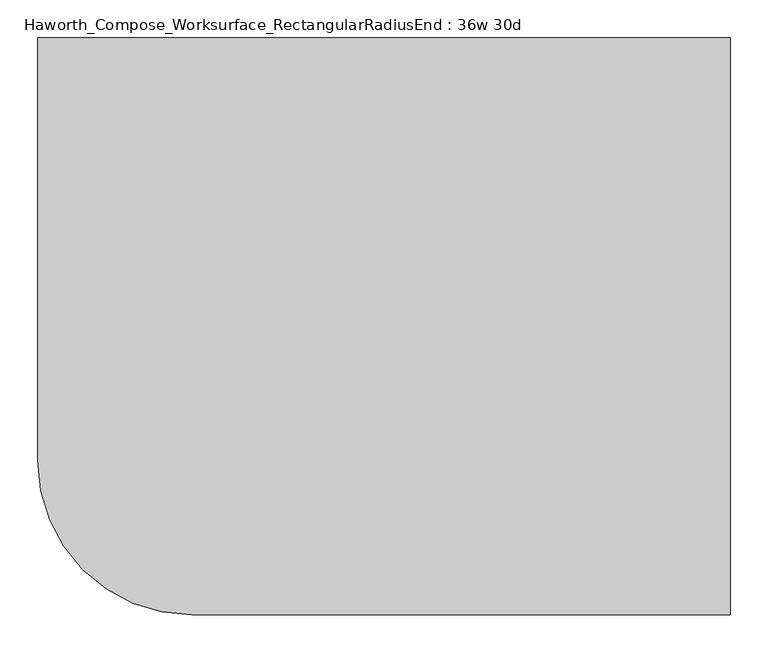
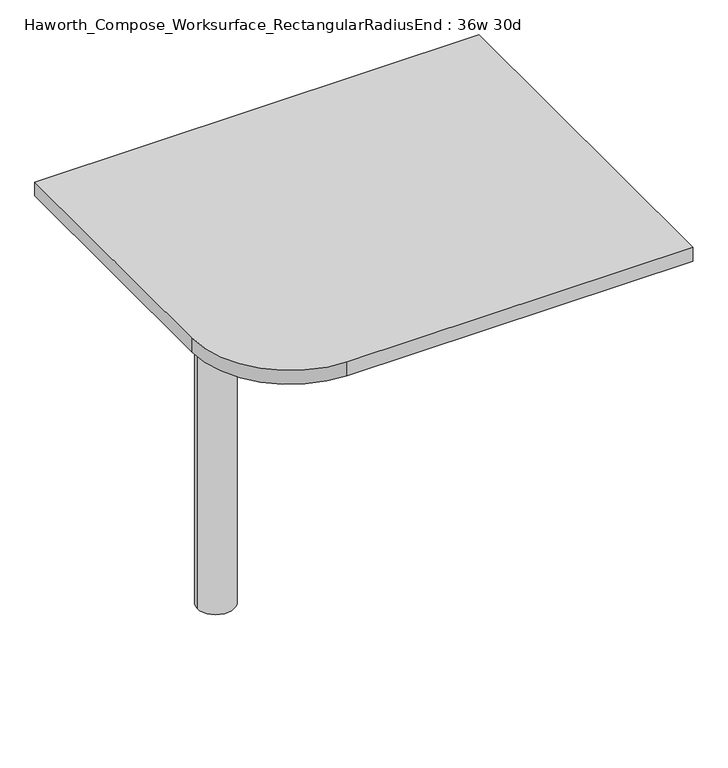
"""IFC4 building model written with IfcOpenShell, lengths in millimetres: furniture geometry, Haworth_Compose_Worksurface_RectangularRadiusEnd : 36w 30d."""

from ifc_helpers import new_model, si_unit, point, frame, frame_2d, origin, place, context, project, spatial, polyline, circle_curve, trimmed, segment, composite_curve, outline, extrude, source, transform, mapped, element, save
from ifc_brep_helpers import plane_surface, cylinder_surface, revolved_surface, advanced_brep


def haworth_compose_worksurface_rectangularradiusend_36w_30d_8cd0b59a(model_context):
    return source(origin(), model_context, "Body", "SolidModel", [
        advanced_brep(
        [(451.64375, 381.0, 475.45625), (451.64375, 365.125, 475.45625), (451.64375, -25.4, 691.7192568), (451.64375, -25.4, 704.05625), (451.64375, 365.125, 704.05625), (451.64375, 381.0, 704.05625), (451.64375, 297.690072, 665.95625), (451.64375, 254.0355284, 665.95625), (451.64375, 251.3564235, 656.3705539), (451.64375, 343.0776173, 605.5776439), (451.64375, 352.425, 611.1756969), (451.64375, 352.425, 634.6860246), (451.64375, 350.6730055, 637.5242776), (451.64375, 300.7663437, 665.1613425), (454.025, 381.0, 475.45625), (454.025, 381.0, 704.05625), (454.025, 365.125, 704.05625), (454.025, 365.125, 706.4375), (454.025, -25.4, 706.4375), (454.025, -25.4, 691.7192568), (454.025, 365.125, 475.45625), (454.025, 297.690072, 665.95625), (454.025, 300.7663437, 665.1613425), (454.025, 350.6730055, 637.5242776), (454.025, 352.425, 634.6860246), (454.025, 352.425, 611.1756969), (454.025, 343.0776173, 605.5776439), (454.025, 251.3564235, 656.3705539), (454.025, 254.0355284, 665.95625), (412.75, -25.4, 706.4375), (412.75, -25.4, 704.05625), (412.75, 365.125, 704.05625), (412.75, 365.125, 706.4375)],
        [
            (0, 1),
            (1, 2),
            (2, 3),
            (3, 4),
            (4, 5),
            (5, 0),
            (6, 7),
            (7, 8, circle_curve(frame((451.64375, 254.0355284, 660.7890106), z_axis=(1.0, 0.0, 0.0), x_axis=(0.0, -1.0, 0.0)), 5.1672394)),
            (8, 9),
            (9, 10, circle_curve(frame((451.64375, 346.075, 611.1756969), z_axis=(1.0, 0.0, 0.0), x_axis=(0.0, -1.0, 0.0)), 6.35)),
            (10, 11),
            (11, 12, circle_curve(frame((451.64375, 349.25, 634.6860246), z_axis=(1.0, 0.0, 0.0), x_axis=(0.0, -1.0, 0.0)), 3.175)),
            (12, 13),
            (13, 6, circle_curve(frame((451.64375, 297.690072, 659.60625), z_axis=(1.0, 0.0, 0.0), x_axis=(0.0, -1.0, 0.0)), 6.35)),
            (14, 15),
            (15, 16),
            (16, 17),
            (17, 18),
            (18, 19),
            (19, 20),
            (20, 14),
            (21, 22, circle_curve(frame((454.025, 297.690072, 659.60625), z_axis=(-1.0, 0.0, 0.0), x_axis=(0.0, -1.0, 0.0)), 6.35)),
            (22, 23),
            (23, 24, circle_curve(frame((454.025, 349.25, 634.6860246), z_axis=(-1.0, 0.0, 0.0), x_axis=(0.0, -1.0, 0.0)), 3.175)),
            (24, 25),
            (25, 26, circle_curve(frame((454.025, 346.075, 611.1756969), z_axis=(-1.0, 0.0, 0.0), x_axis=(0.0, -1.0, 0.0)), 6.35)),
            (26, 27),
            (27, 28, circle_curve(frame((454.025, 254.0355284, 660.7890106), z_axis=(-1.0, 0.0, 0.0), x_axis=(0.0, -1.0, 0.0)), 5.1672394)),
            (28, 21),
            (4, 16),
            (15, 5),
            (14, 0),
            (20, 1),
            (19, 2),
            (18, 29),
            (29, 30),
            (30, 3),
            (6, 21),
            (28, 7),
            (9, 26),
            (25, 10),
            (24, 11),
            (23, 12),
            (27, 8),
            (31, 4),
            (30, 31),
            (32, 29),
            (17, 32),
            (31, 32),
            (22, 13),
        ],
        [
            plane_surface(frame((451.64375, 381.0, 475.45625), z_axis=(-1.0, 0.0, 0.0), x_axis=(0.0, 1.0, 0.0))),
            plane_surface(frame((454.025, 381.0, 475.45625), z_axis=(1.0, 0.0, 0.0), x_axis=(0.0, -1.0, 0.0))),
            plane_surface(frame((454.025, -25.4, 704.05625), z_axis=(0.0, 0.0, 1.0), x_axis=(-1.0, 0.0, 0.0))),
            plane_surface(frame((454.025, 381.0, 704.05625), z_axis=(0.0, 1.0, 0.0), x_axis=(-1.0, 0.0, 0.0))),
            plane_surface(frame((454.025, 381.0, 475.45625), z_axis=(0.0, 0.0, -1.0), x_axis=(-1.0, 0.0, 0.0))),
            plane_surface(frame((454.025, 365.125, 475.45625), z_axis=(0.0, -0.48445223513455843, -0.8748177135112952), x_axis=(-1.0, 0.0, 0.0))),
            plane_surface(frame((454.025, -25.4, 691.7192568), z_axis=(0.0, -1.0, 0.0), x_axis=(-1.0, 0.0, 0.0))),
            plane_surface(frame((454.025, 297.690072, 665.95625), z_axis=(0.0, 0.0, -1.0), x_axis=(-1.0, 0.0, 0.0))),
            revolved_surface(polyline([(451.64375, 339.72499999999997, 611.1756969), (454.025, 339.72499999999997, 611.1756969)]), (454.025, 346.075, 611.1756969), (-1.0, 0.0, 0.0)),
            plane_surface(frame((454.025, 352.425, 611.1756969), z_axis=(0.0, -1.0, 0.0), x_axis=(-1.0, 0.0, 0.0))),
            revolved_surface(polyline([(451.64375, 346.075, 634.6860246), (454.025, 346.075, 634.6860246)]), (454.025, 349.25, 634.6860246), (-1.0, 0.0, 0.0)),
            revolved_surface(polyline([(451.64375, 248.868289, 660.7890106), (454.025, 248.868289, 660.7890106)]), (454.025, 254.0355284, 660.7890106), (-1.0, 0.0, 0.0)),
            plane_surface(frame((454.025, 365.125, 704.05625), z_axis=(0.0, 0.0, -1.0), x_axis=(-1.0, 0.0, 0.0))),
            plane_surface(frame((454.025, 365.125, 706.4375), z_axis=(0.0, 0.0, 1.0), x_axis=(1.0, 0.0, 0.0))),
            plane_surface(frame((412.75, 365.125, 706.4375), z_axis=(0.0, 1.0, 0.0), x_axis=(0.0, 0.0, -1.0))),
            plane_surface(frame((412.75, -25.4, 706.4375), z_axis=(-1.0, 0.0, 0.0), x_axis=(0.0, 0.0, -1.0))),
            plane_surface(frame((454.025, 251.3564235, 656.3705539), z_axis=(0.0, 0.4844522351345583, 0.8748177135112953), x_axis=(-1.0, 0.0, 0.0))),
            plane_surface(frame((454.025, 350.6730055, 637.5242776), z_axis=(0.0, -0.4844522351345582, -0.8748177135112953), x_axis=(-1.0, 0.0, 0.0))),
            revolved_surface(polyline([(451.64375, 291.34007199999996, 659.60625), (454.025, 291.34007199999996, 659.60625)]), (454.025, 297.690072, 659.60625), (-1.0, 0.0, 0.0)),
        ],
        [
            (0, [[1, 2, 3, 4, 5, 6], [7, 8, 9, 10, 11, 12, 13, 14]]),
            (1, [[15, 16, 17, 18, 19, 20, 21], [22, 23, 24, 25, 26, 27, 28, 29]]),
            (2, [[-5, 30, -16, 31]]),
            (3, [[-31, -15, 32, -6]]),
            (4, [[-32, -21, 33, -1]]),
            (5, [[-33, -20, 34, -2]]),
            (6, [[-34, -19, 35, 36, 37, -3]]),
            (7, [[38, -29, 39, -7]]),
            (8, [[40, -26, 41, -10]]),
            (9, [[-41, -25, 42, -11]]),
            (10, [[-42, -24, 43, -12]]),
            (11, [[-39, -28, 44, -8]]),
            (12, [[45, -4, -37, 46]]),
            (13, [[47, -35, -18, 48]]),
            (14, [[-17, -30, -45, 49, -48]]),
            (15, [[-36, -47, -49, -46]]),
            (16, [[-44, -27, -40, -9]]),
            (17, [[-43, -23, 50, -13]]),
            (18, [[-50, -22, -38, -14]]),
        ],
    ),
        advanced_brep(
        [(-266.7, 0.0, 706.4375), (-342.9, 0.0, 706.4375), (-304.8, 0.0, 706.4375), (-266.7, 0.0, 0.0), (-342.9, 0.0, 0.0), (-304.8, 0.0, 0.0)],
        [
            (0, 1, circle_curve(frame((-304.8, 0.0, 706.4375), z_axis=(0.0, 0.0, 1.0), x_axis=(-1.0, 0.0, 0.0)), 38.1)),
            (1, 2),
            (2, 0),
            (1, 0, circle_curve(frame((-304.8, 0.0, 706.4375), z_axis=(0.0, 0.0, 1.0), x_axis=(-1.0, 0.0, 0.0)), 38.1)),
            (3, 4, circle_curve(frame((-304.8, 0.0, 0.0), z_axis=(0.0, 0.0, 1.0), x_axis=(-1.0, 0.0, 0.0)), 38.1)),
            (4, 1),
            (0, 3),
            (4, 3, circle_curve(frame((-304.8, 0.0, 0.0), z_axis=(0.0, 0.0, 1.0), x_axis=(-1.0, 0.0, 0.0)), 38.1)),
            (5, 4),
            (3, 5),
        ],
        [
            plane_surface(frame((-304.8, 0.0, 706.4375), z_axis=(0.0, 0.0, 1.0), x_axis=(-1.0, 0.0, 0.0))),
            cylinder_surface(frame((-304.8, 0.0, 889.623257), z_axis=(0.0, 0.0, -1.0), x_axis=(-1.0, 0.0, 0.0)), 38.1),
            plane_surface(frame((-304.8, 0.0, 0.0), z_axis=(0.0, 0.0, -1.0), x_axis=(-1.0, 0.0, 0.0))),
        ],
        [
            (0, [[1, 2, 3]]),
            (0, [[4, -3, -2]]),
            (1, [[5, 6, -1, 7]]),
            (1, [[8, -7, -4, -6]]),
            (2, [[9, -5, 10]]),
            (2, [[-10, -8, -9]]),
        ],
    ),
        extrude(outline(composite_curve([segment(polyline([(457.2, 381.0), (457.2, -381.0), (-254.0, -381.0)]), True, "CONTINUOUS"), segment(trimmed(circle_curve(frame_2d((-254.0, -177.8)), 203.2), [point((-254.0, -381.0))], [point((-457.2, -177.8))], False, "CARTESIAN"), True, "CONTINUOUS"), segment(polyline([(-457.2, -177.8), (-457.2, 381.0), (457.2, 381.0)]), True, "CONTINUOUS")], self_intersect=False)), frame((0.0, 0.0, 706.4375), z_axis=(0.0, 0.0, 1.0), x_axis=(1.0, 0.0, 0.0)), (0.0, 0.0, 1.0), 30.1625),
    ])


if __name__ == "__main__":
    model = new_model("IFC4")
    model_context = context("Model", 3, world=origin())
    ifc_project = project(units=[si_unit("LENGTHUNIT", "METRE", prefix="MILLI")], contexts=[model_context])
    site = spatial("IfcSite", under=ifc_project)
    building = spatial("IfcBuilding", under=site)
    placement = place(None, origin())
    haworth_compose_worksurface_rectangularradiusend_36w_30d_shape = haworth_compose_worksurface_rectangularradiusend_36w_30d_8cd0b59a(model_context)
    element("IfcFurniture", 1, ObjectType="Haworth_Compose_Worksurface_RectangularRadiusEnd : 36w 30d", at=placement, inside=building, context=model_context, shape_type="MappedRepresentation", body=[
        mapped(haworth_compose_worksurface_rectangularradiusend_36w_30d_shape, transform((0.0, 0.0, 0.0), x_axis=(1.0, 0.0, 0.0), y_axis=(0.0, 1.0, 0.0), z_axis=(0.0, 0.0, 1.0))),
    ])
    save(model, "model.ifc")
